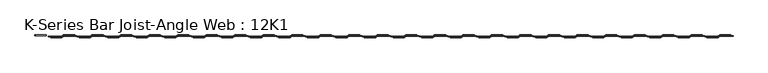
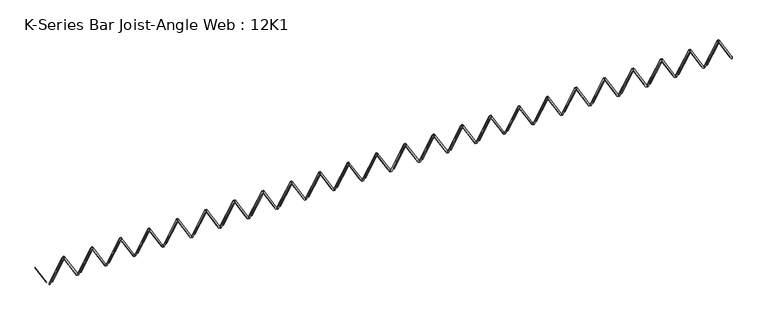
"""IFC4 building model written with IfcOpenShell, lengths in millimetres: beam geometry, K-Series Bar Joist-Angle Web : 12K1."""

from ifc_helpers import new_model, si_unit, frame, origin, place, context, project, spatial, polyline, outline, extrude, faceted_brep, source, transform, mapped, element, save


def k_series_bar_joist_angle_web_12k1_c42de75d(model_context):
    return source(origin(), model_context, "Body", "SolidModel", [
        extrude(outline(polyline([(-4.7625, 4.7625), (-4.7625, 0.0), (-17.4625, 0.0), (-17.4625, 4.7625), (-4.7625, 4.7625)])), frame((14171.3384206, 0.0, -114.3), z_axis=(-0.5031057189221613, 0.0, 0.8642248755895744), x_axis=(0.0, -1.0, 0.0)), (0.0, 0.0, 1.0), 264.5144874),
        extrude(outline(polyline([(-149.225, 14203.4963855), (-130.175, 14203.4963855), (-130.175, 14202.6228745), (149.225, 14039.9710673), (149.225, 14021.7945783), (130.175, 14021.7945783), (130.175, 14029.0180893), (-149.225, 14191.6698965), (-149.225, 14203.4963855)])), frame((0.0, 0.0, 0.0), z_axis=(0.0, 1.0, 0.0), x_axis=(0.0, 0.0, 1.0)), (0.0, 0.0, 1.0), 4.7625),
        faceted_brep([(13852.7927711, 0.0, -130.175), (13852.7927711, 0.0, -149.225), (13852.7927711, -4.7625, -149.225), (13852.7927711, -4.7625, -130.175), (13853.6662821, 0.0, -130.175), (14016.3180893, 0.0, 149.225), (14034.4945783, 0.0, 149.225), (14034.4945783, 0.0, 130.175), (14027.2710673, 0.0, 130.175), (13864.6192601, 0.0, -149.225), (13864.6192601, -4.7625, -149.225), (13884.950736, -4.7625, -114.3), (13880.834865, -4.7625, -111.903959), (14013.9136164, -4.7625, 116.696041), (14018.0294874, -4.7625, 114.3), (14027.2710673, -4.7625, 130.175), (14034.4945783, -4.7625, 130.175), (14034.4945783, -4.7625, 149.225), (14016.3180893, -4.7625, 149.225), (13853.6662821, -4.7625, -130.175), (14018.0294874, -17.4625, 114.3), (13884.950736, -17.4625, -114.3), (13880.834865, -17.4625, -111.903959), (14013.9136164, -17.4625, 116.696041)], [[[0, 1, 2, 3]], [[1, 0, 4, 5, 6, 7, 8, 9]], [[2, 1, 9, 10]], [[3, 2, 10, 11, 12, 13, 14, 15, 16, 17, 18, 19]], [[0, 3, 19, 4]], [[9, 8, 15, 14, 20, 21, 11, 10]], [[5, 4, 19, 18]], [[7, 6, 17, 16]], [[8, 7, 16, 15]], [[6, 5, 18, 17]], [[21, 22, 12, 11]], [[20, 14, 13, 23]], [[22, 21, 20, 23]], [[12, 22, 23, 13]]]),
        extrude(outline(polyline([(-4.7625, 4.7624999), (-4.7625, 0.0), (-17.4625, 0.0), (-17.4625, 4.7624999), (-4.7625, 4.7624999)])), frame((13820.6348062, 0.0, -114.3), z_axis=(-0.5031057189221613, 0.0, 0.8642248755895744), x_axis=(0.0, -1.0, 0.0)), (0.0, 0.0, 1.0), 264.5144874),
        extrude(outline(polyline([(-149.225, 13852.7927711), (-130.175, 13852.7927711), (-130.175, 13851.9192601), (149.225, 13689.2674529), (149.225, 13671.0909639), (130.175, 13671.0909639), (130.175, 13678.3144749), (-149.225, 13840.9662821), (-149.225, 13852.7927711)])), frame((0.0, 0.0, 0.0), z_axis=(0.0, 1.0, 0.0), x_axis=(0.0, 0.0, 1.0)), (0.0, 0.0, 1.0), 4.7625),
        faceted_brep([(13502.0891566, 0.0, -130.175), (13502.0891566, 0.0, -149.225), (13502.0891566, -4.7625, -149.225), (13502.0891566, -4.7625, -130.175), (13502.9626676, 0.0, -130.175), (13665.6144749, 0.0, 149.225), (13683.7909639, 0.0, 149.225), (13683.7909639, 0.0, 130.175), (13676.5674529, 0.0, 130.175), (13513.9156456, 0.0, -149.225), (13513.9156456, -4.7625, -149.225), (13534.2471215, -4.7625, -114.3), (13530.1312506, -4.7625, -111.903959), (13663.2100019, -4.7625, 116.696041), (13667.3258729, -4.7625, 114.3), (13676.5674529, -4.7625, 130.175), (13683.7909639, -4.7625, 130.175), (13683.7909639, -4.7625, 149.225), (13665.6144749, -4.7625, 149.225), (13502.9626676, -4.7625, -130.175), (13667.3258729, -17.4625, 114.3), (13534.2471215, -17.4625, -114.3), (13530.1312506, -17.4625, -111.903959), (13663.2100019, -17.4625, 116.696041)], [[[0, 1, 2, 3]], [[1, 0, 4, 5, 6, 7, 8, 9]], [[2, 1, 9, 10]], [[3, 2, 10, 11, 12, 13, 14, 15, 16, 17, 18, 19]], [[0, 3, 19, 4]], [[9, 8, 15, 14, 20, 21, 11, 10]], [[5, 4, 19, 18]], [[7, 6, 17, 16]], [[8, 7, 16, 15]], [[6, 5, 18, 17]], [[21, 22, 12, 11]], [[20, 14, 13, 23]], [[22, 21, 20, 23]], [[12, 22, 23, 13]]]),
        extrude(outline(polyline([(-4.7625, 4.7625), (-4.7625, 0.0), (-17.4625, 0.0), (-17.4625, 4.7625), (-4.7625, 4.7625)])), frame((13469.9311917, 0.0, -114.3), z_axis=(-0.5031057189221613, 0.0, 0.8642248755895744), x_axis=(0.0, -1.0, 0.0)), (0.0, 0.0, 1.0), 264.5144874),
        extrude(outline(polyline([(-149.225, 13502.0891566), (-130.175, 13502.0891566), (-130.175, 13501.2156456), (149.225, 13338.5638384), (149.225, 13320.3873494), (130.175, 13320.3873494), (130.175, 13327.6108604), (-149.225, 13490.2626676), (-149.225, 13502.0891566)])), frame((0.0, 0.0, 0.0), z_axis=(0.0, 1.0, 0.0), x_axis=(0.0, 0.0, 1.0)), (0.0, 0.0, 1.0), 4.7625),
        faceted_brep([(13151.3855422, 0.0, -130.175), (13151.3855422, 0.0, -149.225), (13151.3855422, -4.7625, -149.225), (13151.3855422, -4.7625, -130.175), (13152.2590532, 0.0, -130.175), (13314.9108604, 0.0, 149.225), (13333.0873494, 0.0, 149.225), (13333.0873494, 0.0, 130.175), (13325.8638384, 0.0, 130.175), (13163.2120312, 0.0, -149.225), (13163.2120312, -4.7625, -149.225), (13183.5435071, -4.7625, -114.3), (13179.4276361, -4.7625, -111.903959), (13312.5063875, -4.7625, 116.696041), (13316.6222584, -4.7625, 114.3), (13325.8638384, -4.7625, 130.175), (13333.0873494, -4.7625, 130.175), (13333.0873494, -4.7625, 149.225), (13314.9108604, -4.7625, 149.225), (13152.2590532, -4.7625, -130.175), (13316.6222584, -17.4625, 114.3), (13183.5435071, -17.4625, -114.3), (13179.4276361, -17.4625, -111.903959), (13312.5063875, -17.4625, 116.696041)], [[[0, 1, 2, 3]], [[1, 0, 4, 5, 6, 7, 8, 9]], [[2, 1, 9, 10]], [[3, 2, 10, 11, 12, 13, 14, 15, 16, 17, 18, 19]], [[0, 3, 19, 4]], [[9, 8, 15, 14, 20, 21, 11, 10]], [[5, 4, 19, 18]], [[7, 6, 17, 16]], [[8, 7, 16, 15]], [[6, 5, 18, 17]], [[21, 22, 12, 11]], [[20, 14, 13, 23]], [[22, 21, 20, 23]], [[12, 22, 23, 13]]]),
        extrude(outline(polyline([(-4.7625, 4.7624999), (-4.7625, 0.0), (-17.4625, 0.0), (-17.4625, 4.7624999), (-4.7625, 4.7624999)])), frame((13119.2275773, 0.0, -114.3), z_axis=(-0.5031057189221613, 0.0, 0.8642248755895744), x_axis=(0.0, -1.0, 0.0)), (0.0, 0.0, 1.0), 264.5144874),
        extrude(outline(polyline([(-149.225, 13151.3855422), (-130.175, 13151.3855422), (-130.175, 13150.5120312), (149.225, 12987.8602239), (149.225, 12969.6837349), (130.175, 12969.6837349), (130.175, 12976.9072459), (-149.225, 13139.5590532), (-149.225, 13151.3855422)])), frame((0.0, 0.0, 0.0), z_axis=(0.0, 1.0, 0.0), x_axis=(0.0, 0.0, 1.0)), (0.0, 0.0, 1.0), 4.7625),
        faceted_brep([(12800.6819277, 0.0, -130.175), (12800.6819277, 0.0, -149.225), (12800.6819277, -4.7625, -149.225), (12800.6819277, -4.7625, -130.175), (12801.5554387, 0.0, -130.175), (12964.2072459, 0.0, 149.225), (12982.3837349, 0.0, 149.225), (12982.3837349, 0.0, 130.175), (12975.1602239, 0.0, 130.175), (12812.5084167, 0.0, -149.225), (12812.5084167, -4.7625, -149.225), (12832.8398926, -4.7625, -114.3), (12828.7240216, -4.7625, -111.903959), (12961.802773, -4.7625, 116.696041), (12965.918644, -4.7625, 114.3), (12975.1602239, -4.7625, 130.175), (12982.3837349, -4.7625, 130.175), (12982.3837349, -4.7625, 149.225), (12964.2072459, -4.7625, 149.225), (12801.5554387, -4.7625, -130.175), (12965.918644, -17.4625, 114.3), (12832.8398926, -17.4625, -114.3), (12828.7240216, -17.4625, -111.903959), (12961.802773, -17.4625, 116.696041)], [[[0, 1, 2, 3]], [[1, 0, 4, 5, 6, 7, 8, 9]], [[2, 1, 9, 10]], [[3, 2, 10, 11, 12, 13, 14, 15, 16, 17, 18, 19]], [[0, 3, 19, 4]], [[9, 8, 15, 14, 20, 21, 11, 10]], [[5, 4, 19, 18]], [[7, 6, 17, 16]], [[8, 7, 16, 15]], [[6, 5, 18, 17]], [[21, 22, 12, 11]], [[20, 14, 13, 23]], [[22, 21, 20, 23]], [[12, 22, 23, 13]]]),
        extrude(outline(polyline([(-4.7625, 4.7625), (-4.7625, 0.0), (-17.4625, 0.0), (-17.4625, 4.7625), (-4.7625, 4.7625)])), frame((12768.5239628, 0.0, -114.3), z_axis=(-0.5031057189221613, 0.0, 0.8642248755895744), x_axis=(0.0, -1.0, 0.0)), (0.0, 0.0, 1.0), 264.5144874),
        extrude(outline(polyline([(-149.225, 12800.6819277), (-130.175, 12800.6819277), (-130.175, 12799.8084167), (149.225, 12637.1566095), (149.225, 12618.9801205), (130.175, 12618.9801205), (130.175, 12626.2036315), (-149.225, 12788.8554387), (-149.225, 12800.6819277)])), frame((0.0, 0.0, 0.0), z_axis=(0.0, 1.0, 0.0), x_axis=(0.0, 0.0, 1.0)), (0.0, 0.0, 1.0), 4.7625),
        faceted_brep([(12449.9783133, 0.0, -130.175), (12449.9783133, 0.0, -149.225), (12449.9783133, -4.7625, -149.225), (12449.9783133, -4.7625, -130.175), (12450.8518243, 0.0, -130.175), (12613.5036315, 0.0, 149.225), (12631.6801205, 0.0, 149.225), (12631.6801205, 0.0, 130.175), (12624.4566095, 0.0, 130.175), (12461.8048023, 0.0, -149.225), (12461.8048023, -4.7625, -149.225), (12482.1362782, -4.7625, -114.3), (12478.0204072, -4.7625, -111.903959), (12611.0991586, -4.7625, 116.696041), (12615.2150295, -4.7625, 114.3), (12624.4566095, -4.7625, 130.175), (12631.6801205, -4.7625, 130.175), (12631.6801205, -4.7625, 149.225), (12613.5036315, -4.7625, 149.225), (12450.8518243, -4.7625, -130.175), (12615.2150295, -17.4625, 114.3), (12482.1362782, -17.4625, -114.3), (12478.0204072, -17.4625, -111.903959), (12611.0991586, -17.4625, 116.696041)], [[[0, 1, 2, 3]], [[1, 0, 4, 5, 6, 7, 8, 9]], [[2, 1, 9, 10]], [[3, 2, 10, 11, 12, 13, 14, 15, 16, 17, 18, 19]], [[0, 3, 19, 4]], [[9, 8, 15, 14, 20, 21, 11, 10]], [[5, 4, 19, 18]], [[7, 6, 17, 16]], [[8, 7, 16, 15]], [[6, 5, 18, 17]], [[21, 22, 12, 11]], [[20, 14, 13, 23]], [[22, 21, 20, 23]], [[12, 22, 23, 13]]]),
        extrude(outline(polyline([(-4.7625, 4.7625), (-4.7625, 0.0), (-17.4625, 0.0), (-17.4625, 4.7625), (-4.7625, 4.7625)])), frame((12417.8203483, 0.0, -114.3), z_axis=(-0.5031057189221613, 0.0, 0.8642248755895744), x_axis=(0.0, -1.0, 0.0)), (0.0, 0.0, 1.0), 264.5144874),
        extrude(outline(polyline([(-149.225, 12449.9783133), (-130.175, 12449.9783133), (-130.175, 12449.1048023), (149.225, 12286.452995), (149.225, 12268.276506), (130.175, 12268.276506), (130.175, 12275.500017), (-149.225, 12438.1518243), (-149.225, 12449.9783133)])), frame((0.0, 0.0, 0.0), z_axis=(0.0, 1.0, 0.0), x_axis=(0.0, 0.0, 1.0)), (0.0, 0.0, 1.0), 4.7625),
        faceted_brep([(12099.2746988, 0.0, -130.175), (12099.2746988, 0.0, -149.225), (12099.2746988, -4.7625, -149.225), (12099.2746988, -4.7625, -130.175), (12100.1482098, 0.0, -130.175), (12262.800017, 0.0, 149.225), (12280.976506, 0.0, 149.225), (12280.976506, 0.0, 130.175), (12273.752995, 0.0, 130.175), (12111.1011878, 0.0, -149.225), (12111.1011878, -4.7625, -149.225), (12131.4326637, -4.7625, -114.3), (12127.3167927, -4.7625, -111.903959), (12260.3955441, -4.7625, 116.696041), (12264.5114151, -4.7625, 114.3), (12273.752995, -4.7625, 130.175), (12280.976506, -4.7625, 130.175), (12280.976506, -4.7625, 149.225), (12262.800017, -4.7625, 149.225), (12100.1482098, -4.7625, -130.175), (12264.5114151, -17.4625, 114.3), (12131.4326637, -17.4625, -114.3), (12127.3167927, -17.4625, -111.903959), (12260.3955441, -17.4625, 116.696041)], [[[0, 1, 2, 3]], [[1, 0, 4, 5, 6, 7, 8, 9]], [[2, 1, 9, 10]], [[3, 2, 10, 11, 12, 13, 14, 15, 16, 17, 18, 19]], [[0, 3, 19, 4]], [[9, 8, 15, 14, 20, 21, 11, 10]], [[5, 4, 19, 18]], [[7, 6, 17, 16]], [[8, 7, 16, 15]], [[6, 5, 18, 17]], [[21, 22, 12, 11]], [[20, 14, 13, 23]], [[22, 21, 20, 23]], [[12, 22, 23, 13]]]),
        extrude(outline(polyline([(-4.7625, 4.7625), (-4.7625, 0.0), (-17.4625, 0.0), (-17.4625, 4.7625), (-4.7625, 4.7625)])), frame((12067.1167339, 0.0, -114.3), z_axis=(-0.5031057189221613, 0.0, 0.8642248755895744), x_axis=(0.0, -1.0, 0.0)), (0.0, 0.0, 1.0), 264.5144874),
        extrude(outline(polyline([(-149.225, 12099.2746988), (-130.175, 12099.2746988), (-130.175, 12098.4011878), (149.225, 11935.7493806), (149.225, 11917.5728916), (130.175, 11917.5728916), (130.175, 11924.7964026), (-149.225, 12087.4482098), (-149.225, 12099.2746988)])), frame((0.0, 0.0, 0.0), z_axis=(0.0, 1.0, 0.0), x_axis=(0.0, 0.0, 1.0)), (0.0, 0.0, 1.0), 4.7625),
        faceted_brep([(11748.5710843, 0.0, -130.175), (11748.5710843, 0.0, -149.225), (11748.5710843, -4.7625, -149.225), (11748.5710843, -4.7625, -130.175), (11749.4445953, 0.0, -130.175), (11912.0964026, 0.0, 149.225), (11930.2728916, 0.0, 149.225), (11930.2728916, 0.0, 130.175), (11923.0493806, 0.0, 130.175), (11760.3975733, 0.0, -149.225), (11760.3975733, -4.7625, -149.225), (11780.7290492, -4.7625, -114.3), (11776.6131783, -4.7625, -111.903959), (11909.6919296, -4.7625, 116.696041), (11913.8078006, -4.7625, 114.3), (11923.0493806, -4.7625, 130.175), (11930.2728916, -4.7625, 130.175), (11930.2728916, -4.7625, 149.225), (11912.0964026, -4.7625, 149.225), (11749.4445953, -4.7625, -130.175), (11913.8078006, -17.4625, 114.3), (11780.7290492, -17.4625, -114.3), (11776.6131783, -17.4625, -111.903959), (11909.6919296, -17.4625, 116.696041)], [[[0, 1, 2, 3]], [[1, 0, 4, 5, 6, 7, 8, 9]], [[2, 1, 9, 10]], [[3, 2, 10, 11, 12, 13, 14, 15, 16, 17, 18, 19]], [[0, 3, 19, 4]], [[9, 8, 15, 14, 20, 21, 11, 10]], [[5, 4, 19, 18]], [[7, 6, 17, 16]], [[8, 7, 16, 15]], [[6, 5, 18, 17]], [[21, 22, 12, 11]], [[20, 14, 13, 23]], [[22, 21, 20, 23]], [[12, 22, 23, 13]]]),
        extrude(outline(polyline([(-4.7625, 4.7625), (-4.7625, 0.0), (-17.4625, 0.0), (-17.4625, 4.7625), (-4.7625, 4.7625)])), frame((11716.4131194, 0.0, -114.3), z_axis=(-0.5031057189221613, 0.0, 0.8642248755895744), x_axis=(0.0, -1.0, 0.0)), (0.0, 0.0, 1.0), 264.5144874),
        extrude(outline(polyline([(-149.225, 11748.5710843), (-130.175, 11748.5710843), (-130.175, 11747.6975733), (149.225, 11585.0457661), (149.225, 11566.8692771), (130.175, 11566.8692771), (130.175, 11574.0927881), (-149.225, 11736.7445953), (-149.225, 11748.5710843)])), frame((0.0, 0.0, 0.0), z_axis=(0.0, 1.0, 0.0), x_axis=(0.0, 0.0, 1.0)), (0.0, 0.0, 1.0), 4.7625),
        faceted_brep([(11397.8674699, 0.0, -130.175), (11397.8674699, 0.0, -149.225), (11397.8674699, -4.7625, -149.225), (11397.8674699, -4.7625, -130.175), (11398.7409809, 0.0, -130.175), (11561.3927881, 0.0, 149.225), (11579.5692771, 0.0, 149.225), (11579.5692771, 0.0, 130.175), (11572.3457661, 0.0, 130.175), (11409.6939589, 0.0, -149.225), (11409.6939589, -4.7625, -149.225), (11430.0254348, -4.7625, -114.3), (11425.9095638, -4.7625, -111.903959), (11558.9883152, -4.7625, 116.696041), (11563.1041862, -4.7625, 114.3), (11572.3457661, -4.7625, 130.175), (11579.5692771, -4.7625, 130.175), (11579.5692771, -4.7625, 149.225), (11561.3927881, -4.7625, 149.225), (11398.7409809, -4.7625, -130.175), (11563.1041862, -17.4625, 114.3), (11430.0254348, -17.4625, -114.3), (11425.9095638, -17.4625, -111.903959), (11558.9883152, -17.4625, 116.696041)], [[[0, 1, 2, 3]], [[1, 0, 4, 5, 6, 7, 8, 9]], [[2, 1, 9, 10]], [[3, 2, 10, 11, 12, 13, 14, 15, 16, 17, 18, 19]], [[0, 3, 19, 4]], [[9, 8, 15, 14, 20, 21, 11, 10]], [[5, 4, 19, 18]], [[7, 6, 17, 16]], [[8, 7, 16, 15]], [[6, 5, 18, 17]], [[21, 22, 12, 11]], [[20, 14, 13, 23]], [[22, 21, 20, 23]], [[12, 22, 23, 13]]]),
        extrude(outline(polyline([(-4.7625, 4.7624999), (-4.7625, 0.0), (-17.4625, 0.0), (-17.4625, 4.7624999), (-4.7625, 4.7624999)])), frame((11365.709505, 0.0, -114.3), z_axis=(-0.5031057189221613, 0.0, 0.8642248755895744), x_axis=(0.0, -1.0, 0.0)), (0.0, 0.0, 1.0), 264.5144874),
        extrude(outline(polyline([(-149.225, 11397.8674699), (-130.175, 11397.8674699), (-130.175, 11396.9939589), (149.225, 11234.3421517), (149.225, 11216.1656627), (130.175, 11216.1656627), (130.175, 11223.3891736), (-149.225, 11386.0409809), (-149.225, 11397.8674699)])), frame((0.0, 0.0, 0.0), z_axis=(0.0, 1.0, 0.0), x_axis=(0.0, 0.0, 1.0)), (0.0, 0.0, 1.0), 4.7625),
        faceted_brep([(11047.1638554, 0.0, -130.175), (11047.1638554, 0.0, -149.225), (11047.1638554, -4.7625, -149.225), (11047.1638554, -4.7625, -130.175), (11048.0373664, 0.0, -130.175), (11210.6891736, 0.0, 149.225), (11228.8656627, 0.0, 149.225), (11228.8656627, 0.0, 130.175), (11221.6421517, 0.0, 130.175), (11058.9903444, 0.0, -149.225), (11058.9903444, -4.7625, -149.225), (11079.3218203, -4.7625, -114.3), (11075.2059494, -4.7625, -111.903959), (11208.2847007, -4.7625, 116.696041), (11212.4005717, -4.7625, 114.3), (11221.6421517, -4.7625, 130.175), (11228.8656627, -4.7625, 130.175), (11228.8656627, -4.7625, 149.225), (11210.6891736, -4.7625, 149.225), (11048.0373664, -4.7625, -130.175), (11212.4005717, -17.4625, 114.3), (11079.3218203, -17.4625, -114.3), (11075.2059494, -17.4625, -111.903959), (11208.2847007, -17.4625, 116.696041)], [[[0, 1, 2, 3]], [[1, 0, 4, 5, 6, 7, 8, 9]], [[2, 1, 9, 10]], [[3, 2, 10, 11, 12, 13, 14, 15, 16, 17, 18, 19]], [[0, 3, 19, 4]], [[9, 8, 15, 14, 20, 21, 11, 10]], [[5, 4, 19, 18]], [[7, 6, 17, 16]], [[8, 7, 16, 15]], [[6, 5, 18, 17]], [[21, 22, 12, 11]], [[20, 14, 13, 23]], [[22, 21, 20, 23]], [[12, 22, 23, 13]]]),
        extrude(outline(polyline([(-4.7625, 4.7625), (-4.7625, 0.0), (-17.4625, 0.0), (-17.4625, 4.7625), (-4.7625, 4.7625)])), frame((11015.0058905, 0.0, -114.3), z_axis=(-0.5031057189221613, 0.0, 0.8642248755895744), x_axis=(0.0, -1.0, 0.0)), (0.0, 0.0, 1.0), 264.5144874),
        extrude(outline(polyline([(-149.225, 11047.1638554), (-130.175, 11047.1638554), (-130.175, 11046.2903444), (149.225, 10883.6385372), (149.225, 10865.4620482), (130.175, 10865.4620482), (130.175, 10872.6855592), (-149.225, 11035.3373664), (-149.225, 11047.1638554)])), frame((0.0, 0.0, 0.0), z_axis=(0.0, 1.0, 0.0), x_axis=(0.0, 0.0, 1.0)), (0.0, 0.0, 1.0), 4.7625),
        faceted_brep([(10696.460241, 0.0, -130.175), (10696.460241, 0.0, -149.225), (10696.460241, -4.7625, -149.225), (10696.460241, -4.7625, -130.175), (10697.333752, 0.0, -130.175), (10859.9855592, 0.0, 149.225), (10878.1620482, 0.0, 149.225), (10878.1620482, 0.0, 130.175), (10870.9385372, 0.0, 130.175), (10708.28673, 0.0, -149.225), (10708.28673, -4.7625, -149.225), (10728.6182059, -4.7625, -114.3), (10724.5023349, -4.7625, -111.903959), (10857.5810863, -4.7625, 116.696041), (10861.6969572, -4.7625, 114.3), (10870.9385372, -4.7625, 130.175), (10878.1620482, -4.7625, 130.175), (10878.1620482, -4.7625, 149.225), (10859.9855592, -4.7625, 149.225), (10697.333752, -4.7625, -130.175), (10861.6969572, -17.4625, 114.3), (10728.6182059, -17.4625, -114.3), (10724.5023349, -17.4625, -111.903959), (10857.5810863, -17.4625, 116.696041)], [[[0, 1, 2, 3]], [[1, 0, 4, 5, 6, 7, 8, 9]], [[2, 1, 9, 10]], [[3, 2, 10, 11, 12, 13, 14, 15, 16, 17, 18, 19]], [[0, 3, 19, 4]], [[9, 8, 15, 14, 20, 21, 11, 10]], [[5, 4, 19, 18]], [[7, 6, 17, 16]], [[8, 7, 16, 15]], [[6, 5, 18, 17]], [[21, 22, 12, 11]], [[20, 14, 13, 23]], [[22, 21, 20, 23]], [[12, 22, 23, 13]]]),
        extrude(outline(polyline([(-4.7625, 4.7624999), (-4.7625, 0.0), (-17.4625, 0.0), (-17.4625, 4.7624999), (-4.7625, 4.7624999)])), frame((10664.3022761, 0.0, -114.3), z_axis=(-0.5031057189221613, 0.0, 0.8642248755895744), x_axis=(0.0, -1.0, 0.0)), (0.0, 0.0, 1.0), 264.5144874),
        extrude(outline(polyline([(-149.225, 10696.460241), (-130.175, 10696.460241), (-130.175, 10695.58673), (149.225, 10532.9349227), (149.225, 10514.7584337), (130.175, 10514.7584337), (130.175, 10521.9819447), (-149.225, 10684.633752), (-149.225, 10696.460241)])), frame((0.0, 0.0, 0.0), z_axis=(0.0, 1.0, 0.0), x_axis=(0.0, 0.0, 1.0)), (0.0, 0.0, 1.0), 4.7625),
        faceted_brep([(10345.7566265, 0.0, -130.175), (10345.7566265, 0.0, -149.225), (10345.7566265, -4.7625, -149.225), (10345.7566265, -4.7625, -130.175), (10346.6301375, 0.0, -130.175), (10509.2819447, 0.0, 149.225), (10527.4584337, 0.0, 149.225), (10527.4584337, 0.0, 130.175), (10520.2349227, 0.0, 130.175), (10357.5831155, 0.0, -149.225), (10357.5831155, -4.7625, -149.225), (10377.9145914, -4.7625, -114.3), (10373.7987204, -4.7625, -111.903959), (10506.8774718, -4.7625, 116.696041), (10510.9933428, -4.7625, 114.3), (10520.2349227, -4.7625, 130.175), (10527.4584337, -4.7625, 130.175), (10527.4584337, -4.7625, 149.225), (10509.2819447, -4.7625, 149.225), (10346.6301375, -4.7625, -130.175), (10510.9933428, -17.4625, 114.3), (10377.9145914, -17.4625, -114.3), (10373.7987204, -17.4625, -111.903959), (10506.8774718, -17.4625, 116.696041)], [[[0, 1, 2, 3]], [[1, 0, 4, 5, 6, 7, 8, 9]], [[2, 1, 9, 10]], [[3, 2, 10, 11, 12, 13, 14, 15, 16, 17, 18, 19]], [[0, 3, 19, 4]], [[9, 8, 15, 14, 20, 21, 11, 10]], [[5, 4, 19, 18]], [[7, 6, 17, 16]], [[8, 7, 16, 15]], [[6, 5, 18, 17]], [[21, 22, 12, 11]], [[20, 14, 13, 23]], [[22, 21, 20, 23]], [[12, 22, 23, 13]]]),
        extrude(outline(polyline([(-4.7625, 4.7625), (-4.7625, 0.0), (-17.4625, 0.0), (-17.4625, 4.7625), (-4.7625, 4.7625)])), frame((10313.5986616, 0.0, -114.3), z_axis=(-0.5031057189221613, 0.0, 0.8642248755895744), x_axis=(0.0, -1.0, 0.0)), (0.0, 0.0, 1.0), 264.5144874),
        extrude(outline(polyline([(-149.225, 10345.7566265), (-130.175, 10345.7566265), (-130.175, 10344.8831155), (149.225, 10182.2313083), (149.225, 10164.0548193), (130.175, 10164.0548193), (130.175, 10171.2783303), (-149.225, 10333.9301375), (-149.225, 10345.7566265)])), frame((0.0, 0.0, 0.0), z_axis=(0.0, 1.0, 0.0), x_axis=(0.0, 0.0, 1.0)), (0.0, 0.0, 1.0), 4.7625),
        faceted_brep([(9995.053012, 0.0, -130.175), (9995.053012, 0.0, -149.225), (9995.053012, -4.7625, -149.225), (9995.053012, -4.7625, -130.175), (9995.926523, 0.0, -130.175), (10158.5783303, 0.0, 149.225), (10176.7548193, 0.0, 149.225), (10176.7548193, 0.0, 130.175), (10169.5313083, 0.0, 130.175), (10006.8795011, 0.0, -149.225), (10006.8795011, -4.7625, -149.225), (10027.210977, -4.7625, -114.3), (10023.095106, -4.7625, -111.903959), (10156.1738574, -4.7625, 116.696041), (10160.2897283, -4.7625, 114.3), (10169.5313083, -4.7625, 130.175), (10176.7548193, -4.7625, 130.175), (10176.7548193, -4.7625, 149.225), (10158.5783303, -4.7625, 149.225), (9995.926523, -4.7625, -130.175), (10160.2897283, -17.4625, 114.3), (10027.210977, -17.4625, -114.3), (10023.095106, -17.4625, -111.903959), (10156.1738574, -17.4625, 116.696041)], [[[0, 1, 2, 3]], [[1, 0, 4, 5, 6, 7, 8, 9]], [[2, 1, 9, 10]], [[3, 2, 10, 11, 12, 13, 14, 15, 16, 17, 18, 19]], [[0, 3, 19, 4]], [[9, 8, 15, 14, 20, 21, 11, 10]], [[5, 4, 19, 18]], [[7, 6, 17, 16]], [[8, 7, 16, 15]], [[6, 5, 18, 17]], [[21, 22, 12, 11]], [[20, 14, 13, 23]], [[22, 21, 20, 23]], [[12, 22, 23, 13]]]),
        extrude(outline(polyline([(-4.7625, 4.7625), (-4.7625, 0.0), (-17.4625, 0.0), (-17.4625, 4.7625), (-4.7625, 4.7625)])), frame((9962.8950471, 0.0, -114.3), z_axis=(-0.5031057189221613, 0.0, 0.8642248755895744), x_axis=(0.0, -1.0, 0.0)), (0.0, 0.0, 1.0), 264.5144874),
        extrude(outline(polyline([(-149.225, 9995.053012), (-130.175, 9995.053012), (-130.175, 9994.1795011), (149.225, 9831.5276938), (149.225, 9813.3512048), (130.175, 9813.3512048), (130.175, 9820.5747158), (-149.225, 9983.226523), (-149.225, 9995.053012)])), frame((0.0, 0.0, 0.0), z_axis=(0.0, 1.0, 0.0), x_axis=(0.0, 0.0, 1.0)), (0.0, 0.0, 1.0), 4.7625),
        faceted_brep([(9644.3493976, 0.0, -130.175), (9644.3493976, 0.0, -149.225), (9644.3493976, -4.7625, -149.225), (9644.3493976, -4.7625, -130.175), (9645.2229086, 0.0, -130.175), (9807.8747158, 0.0, 149.225), (9826.0512048, 0.0, 149.225), (9826.0512048, 0.0, 130.175), (9818.8276938, 0.0, 130.175), (9656.1758866, 0.0, -149.225), (9656.1758866, -4.7625, -149.225), (9676.5073625, -4.7625, -114.3), (9672.3914915, -4.7625, -111.903959), (9805.4702429, -4.7625, 116.696041), (9809.5861139, -4.7625, 114.3), (9818.8276938, -4.7625, 130.175), (9826.0512048, -4.7625, 130.175), (9826.0512048, -4.7625, 149.225), (9807.8747158, -4.7625, 149.225), (9645.2229086, -4.7625, -130.175), (9809.5861139, -17.4625, 114.3), (9676.5073625, -17.4625, -114.3), (9672.3914915, -17.4625, -111.903959), (9805.4702429, -17.4625, 116.696041)], [[[0, 1, 2, 3]], [[1, 0, 4, 5, 6, 7, 8, 9]], [[2, 1, 9, 10]], [[3, 2, 10, 11, 12, 13, 14, 15, 16, 17, 18, 19]], [[0, 3, 19, 4]], [[9, 8, 15, 14, 20, 21, 11, 10]], [[5, 4, 19, 18]], [[7, 6, 17, 16]], [[8, 7, 16, 15]], [[6, 5, 18, 17]], [[21, 22, 12, 11]], [[20, 14, 13, 23]], [[22, 21, 20, 23]], [[12, 22, 23, 13]]]),
        extrude(outline(polyline([(-4.7625, 4.7625), (-4.7625, 0.0), (-17.4625, 0.0), (-17.4625, 4.7625), (-4.7625, 4.7625)])), frame((9612.1914327, 0.0, -114.3), z_axis=(-0.5031057189221613, 0.0, 0.8642248755895744), x_axis=(0.0, -1.0, 0.0)), (0.0, 0.0, 1.0), 264.5144874),
        extrude(outline(polyline([(-149.225, 9644.3493976), (-130.175, 9644.3493976), (-130.175, 9643.4758866), (149.225, 9480.8240794), (149.225, 9462.6475904), (130.175, 9462.6475904), (130.175, 9469.8711014), (-149.225, 9632.5229086), (-149.225, 9644.3493976)])), frame((0.0, 0.0, 0.0), z_axis=(0.0, 1.0, 0.0), x_axis=(0.0, 0.0, 1.0)), (0.0, 0.0, 1.0), 4.7625),
        faceted_brep([(9293.6457831, 0.0, -130.175), (9293.6457831, 0.0, -149.225), (9293.6457831, -4.7625, -149.225), (9293.6457831, -4.7625, -130.175), (9294.5192941, 0.0, -130.175), (9457.1711014, 0.0, 149.225), (9475.3475904, 0.0, 149.225), (9475.3475904, 0.0, 130.175), (9468.1240794, 0.0, 130.175), (9305.4722721, 0.0, -149.225), (9305.4722721, -4.7625, -149.225), (9325.803748, -4.7625, -114.3), (9321.6878771, -4.7625, -111.903959), (9454.7666284, -4.7625, 116.696041), (9458.8824994, -4.7625, 114.3), (9468.1240794, -4.7625, 130.175), (9475.3475904, -4.7625, 130.175), (9475.3475904, -4.7625, 149.225), (9457.1711014, -4.7625, 149.225), (9294.5192941, -4.7625, -130.175), (9458.8824994, -17.4625, 114.3), (9325.803748, -17.4625, -114.3), (9321.6878771, -17.4625, -111.903959), (9454.7666284, -17.4625, 116.696041)], [[[0, 1, 2, 3]], [[1, 0, 4, 5, 6, 7, 8, 9]], [[2, 1, 9, 10]], [[3, 2, 10, 11, 12, 13, 14, 15, 16, 17, 18, 19]], [[0, 3, 19, 4]], [[9, 8, 15, 14, 20, 21, 11, 10]], [[5, 4, 19, 18]], [[7, 6, 17, 16]], [[8, 7, 16, 15]], [[6, 5, 18, 17]], [[21, 22, 12, 11]], [[20, 14, 13, 23]], [[22, 21, 20, 23]], [[12, 22, 23, 13]]]),
        extrude(outline(polyline([(-4.7625, 4.7625), (-4.7625, 0.0), (-17.4625, 0.0), (-17.4625, 4.7625), (-4.7625, 4.7625)])), frame((9261.4878182, 0.0, -114.3), z_axis=(-0.5031057189221613, 0.0, 0.8642248755895744), x_axis=(0.0, -1.0, 0.0)), (0.0, 0.0, 1.0), 264.5144874),
        extrude(outline(polyline([(-149.225, 9293.6457831), (-130.175, 9293.6457831), (-130.175, 9292.7722721), (149.225, 9130.1204649), (149.225, 9111.9439759), (130.175, 9111.9439759), (130.175, 9119.1674869), (-149.225, 9281.8192941), (-149.225, 9293.6457831)])), frame((0.0, 0.0, 0.0), z_axis=(0.0, 1.0, 0.0), x_axis=(0.0, 0.0, 1.0)), (0.0, 0.0, 1.0), 4.7625),
        faceted_brep([(8942.9421687, 0.0, -130.175), (8942.9421687, 0.0, -149.225), (8942.9421687, -4.7625, -149.225), (8942.9421687, -4.7625, -130.175), (8943.8156797, 0.0, -130.175), (9106.4674869, 0.0, 149.225), (9124.6439759, 0.0, 149.225), (9124.6439759, 0.0, 130.175), (9117.4204649, 0.0, 130.175), (8954.7686577, 0.0, -149.225), (8954.7686577, -4.7625, -149.225), (8975.1001336, -4.7625, -114.3), (8970.9842626, -4.7625, -111.903959), (9104.063014, -4.7625, 116.696041), (9108.178885, -4.7625, 114.3), (9117.4204649, -4.7625, 130.175), (9124.6439759, -4.7625, 130.175), (9124.6439759, -4.7625, 149.225), (9106.4674869, -4.7625, 149.225), (8943.8156797, -4.7625, -130.175), (9108.178885, -17.4625, 114.3), (8975.1001336, -17.4625, -114.3), (8970.9842626, -17.4625, -111.903959), (9104.063014, -17.4625, 116.696041)], [[[0, 1, 2, 3]], [[1, 0, 4, 5, 6, 7, 8, 9]], [[2, 1, 9, 10]], [[3, 2, 10, 11, 12, 13, 14, 15, 16, 17, 18, 19]], [[0, 3, 19, 4]], [[9, 8, 15, 14, 20, 21, 11, 10]], [[5, 4, 19, 18]], [[7, 6, 17, 16]], [[8, 7, 16, 15]], [[6, 5, 18, 17]], [[21, 22, 12, 11]], [[20, 14, 13, 23]], [[22, 21, 20, 23]], [[12, 22, 23, 13]]]),
        extrude(outline(polyline([(-4.7625, 4.7624999), (-4.7625, 0.0), (-17.4625, 0.0), (-17.4625, 4.7624999), (-4.7625, 4.7624999)])), frame((8910.7842038, 0.0, -114.3), z_axis=(-0.5031057189221613, 0.0, 0.8642248755895744), x_axis=(0.0, -1.0, 0.0)), (0.0, 0.0, 1.0), 264.5144874),
        extrude(outline(polyline([(-149.225, 8942.9421687), (-130.175, 8942.9421687), (-130.175, 8942.0686577), (149.225, 8779.4168504), (149.225, 8761.2403614), (130.175, 8761.2403614), (130.175, 8768.4638724), (-149.225, 8931.1156797), (-149.225, 8942.9421687)])), frame((0.0, 0.0, 0.0), z_axis=(0.0, 1.0, 0.0), x_axis=(0.0, 0.0, 1.0)), (0.0, 0.0, 1.0), 4.7625),
        faceted_brep([(8592.2385542, 0.0, -130.175), (8592.2385542, 0.0, -149.225), (8592.2385542, -4.7625, -149.225), (8592.2385542, -4.7625, -130.175), (8593.1120652, 0.0, -130.175), (8755.7638724, 0.0, 149.225), (8773.9403614, 0.0, 149.225), (8773.9403614, 0.0, 130.175), (8766.7168504, 0.0, 130.175), (8604.0650432, 0.0, -149.225), (8604.0650432, -4.7625, -149.225), (8624.3965191, -4.7625, -114.3), (8620.2806482, -4.7625, -111.903959), (8753.3593995, -4.7625, 116.696041), (8757.4752705, -4.7625, 114.3), (8766.7168504, -4.7625, 130.175), (8773.9403614, -4.7625, 130.175), (8773.9403614, -4.7625, 149.225), (8755.7638724, -4.7625, 149.225), (8593.1120652, -4.7625, -130.175), (8757.4752705, -17.4625, 114.3), (8624.3965191, -17.4625, -114.3), (8620.2806482, -17.4625, -111.903959), (8753.3593995, -17.4625, 116.696041)], [[[0, 1, 2, 3]], [[1, 0, 4, 5, 6, 7, 8, 9]], [[2, 1, 9, 10]], [[3, 2, 10, 11, 12, 13, 14, 15, 16, 17, 18, 19]], [[0, 3, 19, 4]], [[9, 8, 15, 14, 20, 21, 11, 10]], [[5, 4, 19, 18]], [[7, 6, 17, 16]], [[8, 7, 16, 15]], [[6, 5, 18, 17]], [[21, 22, 12, 11]], [[20, 14, 13, 23]], [[22, 21, 20, 23]], [[12, 22, 23, 13]]]),
        extrude(outline(polyline([(-4.7625, 4.7625), (-4.7625, 0.0), (-17.4625, 0.0), (-17.4625, 4.7625), (-4.7625, 4.7625)])), frame((8560.0805893, 0.0, -114.3), z_axis=(-0.5031057189221613, 0.0, 0.8642248755895744), x_axis=(0.0, -1.0, 0.0)), (0.0, 0.0, 1.0), 264.5144874),
        extrude(outline(polyline([(-149.225, 8592.2385542), (-130.175, 8592.2385542), (-130.175, 8591.3650432), (149.225, 8428.713236), (149.225, 8410.536747), (130.175, 8410.536747), (130.175, 8417.760258), (-149.225, 8580.4120652), (-149.225, 8592.2385542)])), frame((0.0, 0.0, 0.0), z_axis=(0.0, 1.0, 0.0), x_axis=(0.0, 0.0, 1.0)), (0.0, 0.0, 1.0), 4.7625),
        faceted_brep([(8241.5349398, 0.0, -130.175), (8241.5349398, 0.0, -149.225), (8241.5349398, -4.7625, -149.225), (8241.5349398, -4.7625, -130.175), (8242.4084508, 0.0, -130.175), (8405.060258, 0.0, 149.225), (8423.236747, 0.0, 149.225), (8423.236747, 0.0, 130.175), (8416.013236, 0.0, 130.175), (8253.3614288, 0.0, -149.225), (8253.3614288, -4.7625, -149.225), (8273.6929047, -4.7625, -114.3), (8269.5770337, -4.7625, -111.903959), (8402.6557851, -4.7625, 116.696041), (8406.771656, -4.7625, 114.3), (8416.013236, -4.7625, 130.175), (8423.236747, -4.7625, 130.175), (8423.236747, -4.7625, 149.225), (8405.060258, -4.7625, 149.225), (8242.4084508, -4.7625, -130.175), (8406.771656, -17.4625, 114.3), (8273.6929047, -17.4625, -114.3), (8269.5770337, -17.4625, -111.903959), (8402.6557851, -17.4625, 116.696041)], [[[0, 1, 2, 3]], [[1, 0, 4, 5, 6, 7, 8, 9]], [[2, 1, 9, 10]], [[3, 2, 10, 11, 12, 13, 14, 15, 16, 17, 18, 19]], [[0, 3, 19, 4]], [[9, 8, 15, 14, 20, 21, 11, 10]], [[5, 4, 19, 18]], [[7, 6, 17, 16]], [[8, 7, 16, 15]], [[6, 5, 18, 17]], [[21, 22, 12, 11]], [[20, 14, 13, 23]], [[22, 21, 20, 23]], [[12, 22, 23, 13]]]),
        extrude(outline(polyline([(-4.7625, 4.7624999), (-4.7625, 0.0), (-17.4625, 0.0), (-17.4625, 4.7624999), (-4.7625, 4.7624999)])), frame((8209.3769749, 0.0, -114.3), z_axis=(-0.5031057189221613, 0.0, 0.8642248755895744), x_axis=(0.0, -1.0, 0.0)), (0.0, 0.0, 1.0), 264.5144874),
        extrude(outline(polyline([(-149.225, 8241.5349398), (-130.175, 8241.5349398), (-130.175, 8240.6614288), (149.225, 8078.0096215), (149.225, 8059.8331325), (130.175, 8059.8331325), (130.175, 8067.0566435), (-149.225, 8229.7084508), (-149.225, 8241.5349398)])), frame((0.0, 0.0, 0.0), z_axis=(0.0, 1.0, 0.0), x_axis=(0.0, 0.0, 1.0)), (0.0, 0.0, 1.0), 4.7625),
        faceted_brep([(7890.8313253, 0.0, -130.175), (7890.8313253, 0.0, -149.225), (7890.8313253, -4.7625, -149.225), (7890.8313253, -4.7625, -130.175), (7891.7048363, 0.0, -130.175), (8054.3566435, 0.0, 149.225), (8072.5331325, 0.0, 149.225), (8072.5331325, 0.0, 130.175), (8065.3096215, 0.0, 130.175), (7902.6578143, 0.0, -149.225), (7902.6578143, -4.7625, -149.225), (7922.9892902, -4.7625, -114.3), (7918.8734192, -4.7625, -111.903959), (8051.9521706, -4.7625, 116.696041), (8056.0680416, -4.7625, 114.3), (8065.3096215, -4.7625, 130.175), (8072.5331325, -4.7625, 130.175), (8072.5331325, -4.7625, 149.225), (8054.3566435, -4.7625, 149.225), (7891.7048363, -4.7625, -130.175), (8056.0680416, -17.4625, 114.3), (7922.9892902, -17.4625, -114.3), (7918.8734192, -17.4625, -111.903959), (8051.9521706, -17.4625, 116.696041)], [[[0, 1, 2, 3]], [[1, 0, 4, 5, 6, 7, 8, 9]], [[2, 1, 9, 10]], [[3, 2, 10, 11, 12, 13, 14, 15, 16, 17, 18, 19]], [[0, 3, 19, 4]], [[9, 8, 15, 14, 20, 21, 11, 10]], [[5, 4, 19, 18]], [[7, 6, 17, 16]], [[8, 7, 16, 15]], [[6, 5, 18, 17]], [[21, 22, 12, 11]], [[20, 14, 13, 23]], [[22, 21, 20, 23]], [[12, 22, 23, 13]]]),
        extrude(outline(polyline([(-4.7625, 4.7625), (-4.7625, 0.0), (-17.4625, 0.0), (-17.4625, 4.7625), (-4.7625, 4.7625)])), frame((7858.6733604, 0.0, -114.3), z_axis=(-0.5031057189221613, 0.0, 0.8642248755895744), x_axis=(0.0, -1.0, 0.0)), (0.0, 0.0, 1.0), 264.5144874),
        extrude(outline(polyline([(-149.225, 7890.8313253), (-130.175, 7890.8313253), (-130.175, 7889.9578143), (149.225, 7727.3060071), (149.225, 7709.1295181), (130.175, 7709.1295181), (130.175, 7716.3530291), (-149.225, 7879.0048363), (-149.225, 7890.8313253)])), frame((0.0, 0.0, 0.0), z_axis=(0.0, 1.0, 0.0), x_axis=(0.0, 0.0, 1.0)), (0.0, 0.0, 1.0), 4.7625),
        faceted_brep([(7540.1277108, 0.0, -130.175), (7540.1277108, 0.0, -149.225), (7540.1277108, -4.7625, -149.225), (7540.1277108, -4.7625, -130.175), (7541.0012218, 0.0, -130.175), (7703.6530291, 0.0, 149.225), (7721.8295181, 0.0, 149.225), (7721.8295181, 0.0, 130.175), (7714.6060071, 0.0, 130.175), (7551.9541998, 0.0, -149.225), (7551.9541998, -4.7625, -149.225), (7572.2856757, -4.7625, -114.3), (7568.1698048, -4.7625, -111.903959), (7701.2485561, -4.7625, 116.696041), (7705.3644271, -4.7625, 114.3), (7714.6060071, -4.7625, 130.175), (7721.8295181, -4.7625, 130.175), (7721.8295181, -4.7625, 149.225), (7703.6530291, -4.7625, 149.225), (7541.0012218, -4.7625, -130.175), (7705.3644271, -17.4625, 114.3), (7572.2856757, -17.4625, -114.3), (7568.1698048, -17.4625, -111.903959), (7701.2485561, -17.4625, 116.696041)], [[[0, 1, 2, 3]], [[1, 0, 4, 5, 6, 7, 8, 9]], [[2, 1, 9, 10]], [[3, 2, 10, 11, 12, 13, 14, 15, 16, 17, 18, 19]], [[0, 3, 19, 4]], [[9, 8, 15, 14, 20, 21, 11, 10]], [[5, 4, 19, 18]], [[7, 6, 17, 16]], [[8, 7, 16, 15]], [[6, 5, 18, 17]], [[21, 22, 12, 11]], [[20, 14, 13, 23]], [[22, 21, 20, 23]], [[12, 22, 23, 13]]]),
        extrude(outline(polyline([(-4.7625, 4.7625), (-4.7625, 0.0), (-17.4625, 0.0), (-17.4625, 4.7625), (-4.7625, 4.7625)])), frame((7507.9697459, 0.0, -114.3), z_axis=(-0.5031057189221613, 0.0, 0.8642248755895744), x_axis=(0.0, -1.0, 0.0)), (0.0, 0.0, 1.0), 264.5144874),
        extrude(outline(polyline([(-149.225, 7540.1277108), (-130.175, 7540.1277108), (-130.175, 7539.2541998), (149.225, 7376.6023926), (149.225, 7358.4259036), (130.175, 7358.4259036), (130.175, 7365.6494146), (-149.225, 7528.3012218), (-149.225, 7540.1277108)])), frame((0.0, 0.0, 0.0), z_axis=(0.0, 1.0, 0.0), x_axis=(0.0, 0.0, 1.0)), (0.0, 0.0, 1.0), 4.7625),
        faceted_brep([(7189.4240964, 0.0, -130.175), (7189.4240964, 0.0, -149.225), (7189.4240964, -4.7625, -149.225), (7189.4240964, -4.7625, -130.175), (7190.2976074, 0.0, -130.175), (7352.9494146, 0.0, 149.225), (7371.1259036, 0.0, 149.225), (7371.1259036, 0.0, 130.175), (7363.9023926, 0.0, 130.175), (7201.2505854, 0.0, -149.225), (7201.2505854, -4.7625, -149.225), (7221.5820613, -4.7625, -114.3), (7217.4661903, -4.7625, -111.903959), (7350.5449417, -4.7625, 116.696041), (7354.6608127, -4.7625, 114.3), (7363.9023926, -4.7625, 130.175), (7371.1259036, -4.7625, 130.175), (7371.1259036, -4.7625, 149.225), (7352.9494146, -4.7625, 149.225), (7190.2976074, -4.7625, -130.175), (7354.6608127, -17.4625, 114.3), (7221.5820613, -17.4625, -114.3), (7217.4661903, -17.4625, -111.903959), (7350.5449417, -17.4625, 116.696041)], [[[0, 1, 2, 3]], [[1, 0, 4, 5, 6, 7, 8, 9]], [[2, 1, 9, 10]], [[3, 2, 10, 11, 12, 13, 14, 15, 16, 17, 18, 19]], [[0, 3, 19, 4]], [[9, 8, 15, 14, 20, 21, 11, 10]], [[5, 4, 19, 18]], [[7, 6, 17, 16]], [[8, 7, 16, 15]], [[6, 5, 18, 17]], [[21, 22, 12, 11]], [[20, 14, 13, 23]], [[22, 21, 20, 23]], [[12, 22, 23, 13]]]),
        extrude(outline(polyline([(-4.7625, 4.7624999), (-4.7625, 0.0), (-17.4625, 0.0), (-17.4625, 4.7624999), (-4.7625, 4.7624999)])), frame((7157.2661315, 0.0, -114.3), z_axis=(-0.5031057189221613, 0.0, 0.8642248755895744), x_axis=(0.0, -1.0, 0.0)), (0.0, 0.0, 1.0), 264.5144874),
        extrude(outline(polyline([(-149.225, 7189.4240964), (-130.175, 7189.4240964), (-130.175, 7188.5505854), (149.225, 7025.8987782), (149.225, 7007.7222892), (130.175, 7007.7222892), (130.175, 7014.9458002), (-149.225, 7177.5976074), (-149.225, 7189.4240964)])), frame((0.0, 0.0, 0.0), z_axis=(0.0, 1.0, 0.0), x_axis=(0.0, 0.0, 1.0)), (0.0, 0.0, 1.0), 4.7625),
        faceted_brep([(6838.7204819, 0.0, -130.175), (6838.7204819, 0.0, -149.225), (6838.7204819, -4.7625, -149.225), (6838.7204819, -4.7625, -130.175), (6839.5939929, 0.0, -130.175), (7002.2458002, 0.0, 149.225), (7020.4222892, 0.0, 149.225), (7020.4222892, 0.0, 130.175), (7013.1987782, 0.0, 130.175), (6850.5469709, 0.0, -149.225), (6850.5469709, -4.7625, -149.225), (6870.8784468, -4.7625, -114.3), (6866.7625759, -4.7625, -111.903959), (6999.8413272, -4.7625, 116.696041), (7003.9571982, -4.7625, 114.3), (7013.1987782, -4.7625, 130.175), (7020.4222892, -4.7625, 130.175), (7020.4222892, -4.7625, 149.225), (7002.2458002, -4.7625, 149.225), (6839.5939929, -4.7625, -130.175), (7003.9571982, -17.4625, 114.3), (6870.8784468, -17.4625, -114.3), (6866.7625759, -17.4625, -111.903959), (6999.8413272, -17.4625, 116.696041)], [[[0, 1, 2, 3]], [[1, 0, 4, 5, 6, 7, 8, 9]], [[2, 1, 9, 10]], [[3, 2, 10, 11, 12, 13, 14, 15, 16, 17, 18, 19]], [[0, 3, 19, 4]], [[9, 8, 15, 14, 20, 21, 11, 10]], [[5, 4, 19, 18]], [[7, 6, 17, 16]], [[8, 7, 16, 15]], [[6, 5, 18, 17]], [[21, 22, 12, 11]], [[20, 14, 13, 23]], [[22, 21, 20, 23]], [[12, 22, 23, 13]]]),
        extrude(outline(polyline([(-4.7625, 4.7625), (-4.7625, 0.0), (-17.4625, 0.0), (-17.4625, 4.7625), (-4.7625, 4.7625)])), frame((6806.562517, 0.0, -114.3), z_axis=(-0.5031057189221613, 0.0, 0.8642248755895744), x_axis=(0.0, -1.0, 0.0)), (0.0, 0.0, 1.0), 264.5144874),
        extrude(outline(polyline([(-149.225, 6838.7204819), (-130.175, 6838.7204819), (-130.175, 6837.8469709), (149.225, 6675.1951637), (149.225, 6657.0186747), (130.175, 6657.0186747), (130.175, 6664.2421857), (-149.225, 6826.8939929), (-149.225, 6838.7204819)])), frame((0.0, 0.0, 0.0), z_axis=(0.0, 1.0, 0.0), x_axis=(0.0, 0.0, 1.0)), (0.0, 0.0, 1.0), 4.7625),
        faceted_brep([(6488.0168675, 0.0, -130.175), (6488.0168675, 0.0, -149.225), (6488.0168675, -4.7625, -149.225), (6488.0168675, -4.7625, -130.175), (6488.8903785, 0.0, -130.175), (6651.5421857, 0.0, 149.225), (6669.7186747, 0.0, 149.225), (6669.7186747, 0.0, 130.175), (6662.4951637, 0.0, 130.175), (6499.8433565, 0.0, -149.225), (6499.8433565, -4.7625, -149.225), (6520.1748324, -4.7625, -114.3), (6516.0589614, -4.7625, -111.903959), (6649.1377128, -4.7625, 116.696041), (6653.2535837, -4.7625, 114.3), (6662.4951637, -4.7625, 130.175), (6669.7186747, -4.7625, 130.175), (6669.7186747, -4.7625, 149.225), (6651.5421857, -4.7625, 149.225), (6488.8903785, -4.7625, -130.175), (6653.2535837, -17.4625, 114.3), (6520.1748324, -17.4625, -114.3), (6516.0589614, -17.4625, -111.903959), (6649.1377128, -17.4625, 116.696041)], [[[0, 1, 2, 3]], [[1, 0, 4, 5, 6, 7, 8, 9]], [[2, 1, 9, 10]], [[3, 2, 10, 11, 12, 13, 14, 15, 16, 17, 18, 19]], [[0, 3, 19, 4]], [[9, 8, 15, 14, 20, 21, 11, 10]], [[5, 4, 19, 18]], [[7, 6, 17, 16]], [[8, 7, 16, 15]], [[6, 5, 18, 17]], [[21, 22, 12, 11]], [[20, 14, 13, 23]], [[22, 21, 20, 23]], [[12, 22, 23, 13]]]),
        extrude(outline(polyline([(-4.7625, 4.7624999), (-4.7625, 0.0), (-17.4625, 0.0), (-17.4625, 4.7624999), (-4.7625, 4.7624999)])), frame((6455.8589026, 0.0, -114.3), z_axis=(-0.5031057189221613, 0.0, 0.8642248755895744), x_axis=(0.0, -1.0, 0.0)), (0.0, 0.0, 1.0), 264.5144874),
        extrude(outline(polyline([(-149.225, 6488.0168675), (-130.175, 6488.0168675), (-130.175, 6487.1433565), (149.225, 6324.4915492), (149.225, 6306.3150602), (130.175, 6306.3150602), (130.175, 6313.5385712), (-149.225, 6476.1903785), (-149.225, 6488.0168675)])), frame((0.0, 0.0, 0.0), z_axis=(0.0, 1.0, 0.0), x_axis=(0.0, 0.0, 1.0)), (0.0, 0.0, 1.0), 4.7625),
        faceted_brep([(6137.313253, 0.0, -130.175), (6137.313253, 0.0, -149.225), (6137.313253, -4.7625, -149.225), (6137.313253, -4.7625, -130.175), (6138.186764, 0.0, -130.175), (6300.8385712, 0.0, 149.225), (6319.0150602, 0.0, 149.225), (6319.0150602, 0.0, 130.175), (6311.7915492, 0.0, 130.175), (6149.139742, 0.0, -149.225), (6149.139742, -4.7625, -149.225), (6169.4712179, -4.7625, -114.3), (6165.3553469, -4.7625, -111.903959), (6298.4340983, -4.7625, 116.696041), (6302.5499693, -4.7625, 114.3), (6311.7915492, -4.7625, 130.175), (6319.0150602, -4.7625, 130.175), (6319.0150602, -4.7625, 149.225), (6300.8385712, -4.7625, 149.225), (6138.186764, -4.7625, -130.175), (6302.5499693, -17.4625, 114.3), (6169.4712179, -17.4625, -114.3), (6165.3553469, -17.4625, -111.903959), (6298.4340983, -17.4625, 116.696041)], [[[0, 1, 2, 3]], [[1, 0, 4, 5, 6, 7, 8, 9]], [[2, 1, 9, 10]], [[3, 2, 10, 11, 12, 13, 14, 15, 16, 17, 18, 19]], [[0, 3, 19, 4]], [[9, 8, 15, 14, 20, 21, 11, 10]], [[5, 4, 19, 18]], [[7, 6, 17, 16]], [[8, 7, 16, 15]], [[6, 5, 18, 17]], [[21, 22, 12, 11]], [[20, 14, 13, 23]], [[22, 21, 20, 23]], [[12, 22, 23, 13]]]),
        extrude(outline(polyline([(-4.7625, 4.7625), (-4.7625, 0.0), (-17.4625, 0.0), (-17.4625, 4.7625), (-4.7625, 4.7625)])), frame((6105.1552881, 0.0, -114.3), z_axis=(-0.5031057189221613, 0.0, 0.8642248755895744), x_axis=(0.0, -1.0, 0.0)), (0.0, 0.0, 1.0), 264.5144874),
        extrude(outline(polyline([(-149.225, 6137.313253), (-130.175, 6137.313253), (-130.175, 6136.439742), (149.225, 5973.7879348), (149.225, 5955.6114458), (130.175, 5955.6114458), (130.175, 5962.8349568), (-149.225, 6125.486764), (-149.225, 6137.313253)])), frame((0.0, 0.0, 0.0), z_axis=(0.0, 1.0, 0.0), x_axis=(0.0, 0.0, 1.0)), (0.0, 0.0, 1.0), 4.7625),
        faceted_brep([(5786.6096386, 0.0, -130.175), (5786.6096386, 0.0, -149.225), (5786.6096386, -4.7625, -149.225), (5786.6096386, -4.7625, -130.175), (5787.4831496, 0.0, -130.175), (5950.1349568, 0.0, 149.225), (5968.3114458, 0.0, 149.225), (5968.3114458, 0.0, 130.175), (5961.0879348, 0.0, 130.175), (5798.4361276, 0.0, -149.225), (5798.4361276, -4.7625, -149.225), (5818.7676035, -4.7625, -114.3), (5814.6517325, -4.7625, -111.903959), (5947.7304839, -4.7625, 116.696041), (5951.8463548, -4.7625, 114.3), (5961.0879348, -4.7625, 130.175), (5968.3114458, -4.7625, 130.175), (5968.3114458, -4.7625, 149.225), (5950.1349568, -4.7625, 149.225), (5787.4831496, -4.7625, -130.175), (5951.8463548, -17.4625, 114.3), (5818.7676035, -17.4625, -114.3), (5814.6517325, -17.4625, -111.903959), (5947.7304839, -17.4625, 116.696041)], [[[0, 1, 2, 3]], [[1, 0, 4, 5, 6, 7, 8, 9]], [[2, 1, 9, 10]], [[3, 2, 10, 11, 12, 13, 14, 15, 16, 17, 18, 19]], [[0, 3, 19, 4]], [[9, 8, 15, 14, 20, 21, 11, 10]], [[5, 4, 19, 18]], [[7, 6, 17, 16]], [[8, 7, 16, 15]], [[6, 5, 18, 17]], [[21, 22, 12, 11]], [[20, 14, 13, 23]], [[22, 21, 20, 23]], [[12, 22, 23, 13]]]),
        extrude(outline(polyline([(-4.7625, 4.7625), (-4.7625, 0.0), (-17.4625, 0.0), (-17.4625, 4.7625), (-4.7625, 4.7625)])), frame((5754.4516736, 0.0, -114.3), z_axis=(-0.5031057189221613, 0.0, 0.8642248755895744), x_axis=(0.0, -1.0, 0.0)), (0.0, 0.0, 1.0), 264.5144874),
    ])


if __name__ == "__main__":
    model = new_model("IFC4")
    model_context = context("Model", 3, world=origin())
    ifc_project = project(units=[si_unit("LENGTHUNIT", "METRE", prefix="MILLI")], contexts=[model_context])
    site = spatial("IfcSite", under=ifc_project)
    building = spatial("IfcBuilding", under=site)
    placement = place(None, origin())
    k_series_bar_joist_angle_web_12k1_shape = k_series_bar_joist_angle_web_12k1_c42de75d(model_context)
    element("IfcBeam", 1, ObjectType="K-Series Bar Joist-Angle Web : 12K1", at=placement, inside=building, context=model_context, shape_type="MappedRepresentation", body=[
        mapped(k_series_bar_joist_angle_web_12k1_shape, transform((0.0, 0.0, 0.0), x_axis=(1.0, 0.0, 0.0), y_axis=(0.0, 1.0, 0.0), z_axis=(0.0, 0.0, 1.0))),
    ])
    save(model, "model.ifc")
